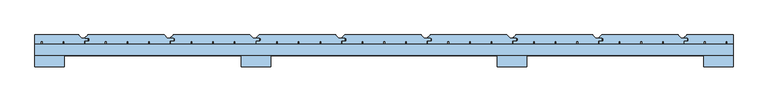
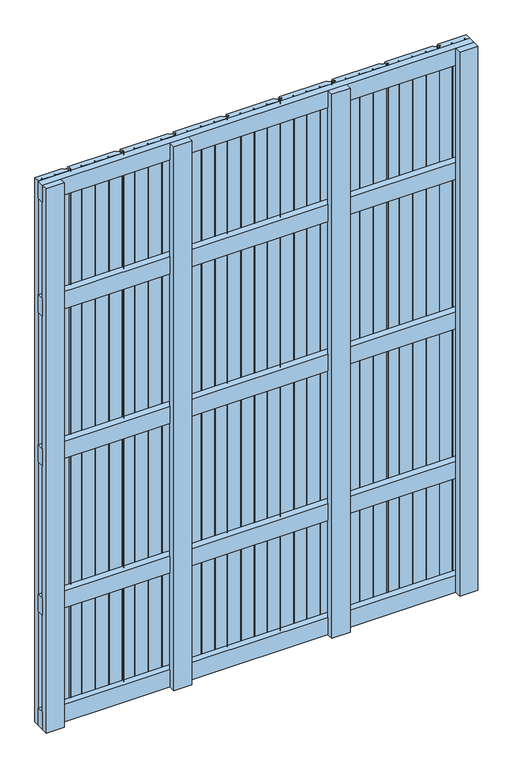
"""IFC4 building model written with IfcOpenShell, lengths in millimetres: window geometry."""

from ifc_helpers import new_model, si_unit, point, frame, frame_2d, origin, place, context, project, spatial, polyline, circle_curve, trimmed, segment, composite_curve, outline, extrude, source, transform, mapped, element, save


def window_8b2cadf0(model_context):
    return source(origin(), model_context, "Body", "SweptSolid", [
        extrude(outline(polyline([(750.0, 148.0), (750.0, 124.0), (-750.0, 124.0), (-750.0, 148.0), (750.0, 148.0)])), frame((0.0, 0.0, 1618.5), z_axis=(0.0, 0.0, 1.0), x_axis=(1.0, 0.0, 0.0)), (0.0, 0.0, 1.0), 63.0),
        extrude(outline(polyline([(750.0, 148.0), (750.0, 124.0), (-750.0, 124.0), (-750.0, 148.0), (750.0, 148.0)])), frame((0.0, 0.0, 1068.5), z_axis=(0.0, 0.0, 1.0), x_axis=(1.0, 0.0, 0.0)), (0.0, 0.0, 1.0), 63.0),
        extrude(outline(polyline([(750.0, 148.0), (750.0, 124.0), (-750.0, 124.0), (-750.0, 148.0), (750.0, 148.0)])), frame((0.0, 0.0, 518.5), z_axis=(0.0, 0.0, 1.0), x_axis=(1.0, 0.0, 0.0)), (0.0, 0.0, 1.0), 63.0),
        extrude(outline(polyline([(750.0, 148.0), (750.0, 124.0), (-750.0, 124.0), (-750.0, 148.0), (750.0, 148.0)])), frame((0.0, 0.0, 2037.0), z_axis=(0.0, 0.0, 1.0), x_axis=(1.0, 0.0, 0.0)), (0.0, 0.0, 1.0), 63.0),
        extrude(outline(polyline([(750.0, 148.0), (750.0, 124.0), (-750.0, 124.0), (-750.0, 148.0), (750.0, 148.0)])), frame((0.0, 0.0, 100.0), z_axis=(0.0, 0.0, 1.0), x_axis=(1.0, 0.0, 0.0)), (0.0, 0.0, 1.0), 63.0),
        extrude(outline(composite_curve([segment(polyline([(-641.0521218, 154.5), (-634.5521218, 154.5)]), True, "CONTINUOUS"), segment(trimmed(circle_curve(frame_2d((-634.5521218, 156.0)), 1.5), [point((-634.5521218, 154.5))], [point((-633.0521218, 156.0))], True, "CARTESIAN"), True, "CONTINUOUS"), segment(polyline([(-633.0521218, 156.0), (-633.0521218, 159.5)]), True, "CONTINUOUS"), segment(trimmed(circle_curve(frame_2d((-634.5521218, 159.5)), 1.5), [point((-633.0521218, 159.5))], [point((-634.5521218, 161.0))], True, "CARTESIAN"), True, "CONTINUOUS"), segment(polyline([(-634.5521218, 161.0), (-641.0521218, 161.0)]), True, "CONTINUOUS"), segment(trimmed(circle_curve(frame_2d((-641.0521218, 162.0)), 1.0), [point((-641.0521218, 161.0))], [point((-641.7592286, 162.7071068))], False, "CARTESIAN"), True, "CONTINUOUS"), segment(polyline([(-641.7592286, 162.7071068), (-636.9056752, 167.5606602)]), True, "CONTINUOUS"), segment(trimmed(circle_curve(frame_2d((-635.845015, 166.5)), 1.5), [point((-636.9056752, 167.5606602))], [point((-635.845015, 168.0))], False, "CARTESIAN"), True, "CONTINUOUS"), segment(polyline([(-635.845015, 168.0), (-472.6213203, 168.0)]), True, "CONTINUOUS"), segment(trimmed(circle_curve(frame_2d((-472.6213203, 166.5)), 1.5), [point((-472.6213203, 168.0))], [point((-471.5606602, 167.5606602))], False, "CARTESIAN"), True, "CONTINUOUS"), segment(polyline([(-471.5606602, 167.5606602), (-465.2928932, 161.2928932)]), True, "CONTINUOUS"), segment(trimmed(circle_curve(frame_2d((-464.5857864, 162.0)), 1.0), [point((-465.2928932, 161.2928932))], [point((-464.5857864, 161.0))], True, "CARTESIAN"), True, "CONTINUOUS"), segment(polyline([(-464.5857864, 161.0), (-453.5, 161.0)]), True, "CONTINUOUS"), segment(trimmed(circle_curve(frame_2d((-453.5, 159.5)), 1.5), [point((-453.5, 161.0))], [point((-452.0, 159.5))], False, "CARTESIAN"), True, "CONTINUOUS"), segment(polyline([(-452.0, 159.5), (-452.0, 156.5)]), True, "CONTINUOUS"), segment(trimmed(circle_curve(frame_2d((-453.5, 156.5)), 1.5), [point((-452.0, 156.5))], [point((-453.5, 155.0))], False, "CARTESIAN"), True, "CONTINUOUS"), segment(polyline([(-453.5, 155.0), (-460.0, 155.0), (-460.0, 148.5), (-503.0610702, 148.5), (-503.0610702, 154.5), (-506.5610702, 154.5), (-506.5610702, 148.5), (-549.6221403, 148.5), (-549.6221403, 154.5), (-553.1221403, 154.5), (-553.1221403, 148.5), (-596.1832105, 148.5), (-596.1832105, 154.5), (-599.6832105, 154.5), (-599.6832105, 148.5), (-642.0521218, 148.5), (-642.0521218, 153.5)]), True, "CONTINUOUS"), segment(trimmed(circle_curve(frame_2d((-641.0521218, 153.5)), 1.0), [point((-642.0521218, 153.5))], [point((-641.0521218, 154.5))], False, "CARTESIAN"), True, "CONTINUOUS")], self_intersect=False)), frame((0.0, 0.0, 100.0), z_axis=(0.0, 0.0, 1.0), x_axis=(1.0, 0.0, 0.0)), (0.0, 0.0, 1.0), 2000.0),
        extrude(outline(composite_curve([segment(polyline([(-457.0521218, 154.5), (-450.5521218, 154.5)]), True, "CONTINUOUS"), segment(trimmed(circle_curve(frame_2d((-450.5521218, 156.0)), 1.5), [point((-450.5521218, 154.5))], [point((-449.0521218, 156.0))], True, "CARTESIAN"), True, "CONTINUOUS"), segment(polyline([(-449.0521218, 156.0), (-449.0521218, 159.5)]), True, "CONTINUOUS"), segment(trimmed(circle_curve(frame_2d((-450.5521218, 159.5)), 1.5), [point((-449.0521218, 159.5))], [point((-450.5521218, 161.0))], True, "CARTESIAN"), True, "CONTINUOUS"), segment(polyline([(-450.5521218, 161.0), (-457.0521218, 161.0)]), True, "CONTINUOUS"), segment(trimmed(circle_curve(frame_2d((-457.0521218, 162.0)), 1.0), [point((-457.0521218, 161.0))], [point((-457.7592286, 162.7071068))], False, "CARTESIAN"), True, "CONTINUOUS"), segment(polyline([(-457.7592286, 162.7071068), (-452.9056752, 167.5606602)]), True, "CONTINUOUS"), segment(trimmed(circle_curve(frame_2d((-451.845015, 166.5)), 1.5), [point((-452.9056752, 167.5606602))], [point((-451.845015, 168.0))], False, "CARTESIAN"), True, "CONTINUOUS"), segment(polyline([(-451.845015, 168.0), (-288.6213203, 168.0)]), True, "CONTINUOUS"), segment(trimmed(circle_curve(frame_2d((-288.6213203, 166.5)), 1.5), [point((-288.6213203, 168.0))], [point((-287.5606602, 167.5606602))], False, "CARTESIAN"), True, "CONTINUOUS"), segment(polyline([(-287.5606602, 167.5606602), (-281.2928932, 161.2928932)]), True, "CONTINUOUS"), segment(trimmed(circle_curve(frame_2d((-280.5857864, 162.0)), 1.0), [point((-281.2928932, 161.2928932))], [point((-280.5857864, 161.0))], True, "CARTESIAN"), True, "CONTINUOUS"), segment(polyline([(-280.5857864, 161.0), (-269.5, 161.0)]), True, "CONTINUOUS"), segment(trimmed(circle_curve(frame_2d((-269.5, 159.5)), 1.5), [point((-269.5, 161.0))], [point((-268.0, 159.5))], False, "CARTESIAN"), True, "CONTINUOUS"), segment(polyline([(-268.0, 159.5), (-268.0, 156.5)]), True, "CONTINUOUS"), segment(trimmed(circle_curve(frame_2d((-269.5, 156.5)), 1.5), [point((-268.0, 156.5))], [point((-269.5, 155.0))], False, "CARTESIAN"), True, "CONTINUOUS"), segment(polyline([(-269.5, 155.0), (-276.0, 155.0), (-276.0, 148.5), (-319.0610702, 148.5), (-319.0610702, 154.5), (-322.5610702, 154.5), (-322.5610702, 148.5), (-365.6221403, 148.5), (-365.6221403, 154.5), (-369.1221403, 154.5), (-369.1221403, 148.5), (-412.1832105, 148.5), (-412.1832105, 154.5), (-415.6832105, 154.5), (-415.6832105, 148.5), (-458.0521218, 148.5), (-458.0521218, 153.5)]), True, "CONTINUOUS"), segment(trimmed(circle_curve(frame_2d((-457.0521218, 153.5)), 1.0), [point((-458.0521218, 153.5))], [point((-457.0521218, 154.5))], False, "CARTESIAN"), True, "CONTINUOUS")], self_intersect=False)), frame((0.0, 0.0, 100.0), z_axis=(0.0, 0.0, 1.0), x_axis=(1.0, 0.0, 0.0)), (0.0, 0.0, 1.0), 2000.0),
        extrude(outline(composite_curve([segment(polyline([(-273.0521218, 154.5), (-266.5521218, 154.5)]), True, "CONTINUOUS"), segment(trimmed(circle_curve(frame_2d((-266.5521218, 156.0)), 1.5), [point((-266.5521218, 154.5))], [point((-265.0521218, 156.0))], True, "CARTESIAN"), True, "CONTINUOUS"), segment(polyline([(-265.0521218, 156.0), (-265.0521218, 159.5)]), True, "CONTINUOUS"), segment(trimmed(circle_curve(frame_2d((-266.5521218, 159.5)), 1.5), [point((-265.0521218, 159.5))], [point((-266.5521218, 161.0))], True, "CARTESIAN"), True, "CONTINUOUS"), segment(polyline([(-266.5521218, 161.0), (-273.0521218, 161.0)]), True, "CONTINUOUS"), segment(trimmed(circle_curve(frame_2d((-273.0521218, 162.0)), 1.0), [point((-273.0521218, 161.0))], [point((-273.7592286, 162.7071068))], False, "CARTESIAN"), True, "CONTINUOUS"), segment(polyline([(-273.7592286, 162.7071068), (-268.9056752, 167.5606602)]), True, "CONTINUOUS"), segment(trimmed(circle_curve(frame_2d((-267.845015, 166.5)), 1.5), [point((-268.9056752, 167.5606602))], [point((-267.845015, 168.0))], False, "CARTESIAN"), True, "CONTINUOUS"), segment(polyline([(-267.845015, 168.0), (-104.6213203, 168.0)]), True, "CONTINUOUS"), segment(trimmed(circle_curve(frame_2d((-104.6213203, 166.5)), 1.5), [point((-104.6213203, 168.0))], [point((-103.5606602, 167.5606602))], False, "CARTESIAN"), True, "CONTINUOUS"), segment(polyline([(-103.5606602, 167.5606602), (-97.2928932, 161.2928932)]), True, "CONTINUOUS"), segment(trimmed(circle_curve(frame_2d((-96.5857864, 162.0)), 1.0), [point((-97.2928932, 161.2928932))], [point((-96.5857864, 161.0))], True, "CARTESIAN"), True, "CONTINUOUS"), segment(polyline([(-96.5857864, 161.0), (-85.5, 161.0)]), True, "CONTINUOUS"), segment(trimmed(circle_curve(frame_2d((-85.5, 159.5)), 1.5), [point((-85.5, 161.0))], [point((-84.0, 159.5))], False, "CARTESIAN"), True, "CONTINUOUS"), segment(polyline([(-84.0, 159.5), (-84.0, 156.5)]), True, "CONTINUOUS"), segment(trimmed(circle_curve(frame_2d((-85.5, 156.5)), 1.5), [point((-84.0, 156.5))], [point((-85.5, 155.0))], False, "CARTESIAN"), True, "CONTINUOUS"), segment(polyline([(-85.5, 155.0), (-92.0, 155.0), (-92.0, 148.5), (-135.0610702, 148.5), (-135.0610702, 154.5), (-138.5610702, 154.5), (-138.5610702, 148.5), (-181.6221403, 148.5), (-181.6221403, 154.5), (-185.1221403, 154.5), (-185.1221403, 148.5), (-228.1832105, 148.5), (-228.1832105, 154.5), (-231.6832105, 154.5), (-231.6832105, 148.5), (-274.0521218, 148.5), (-274.0521218, 153.5)]), True, "CONTINUOUS"), segment(trimmed(circle_curve(frame_2d((-273.0521218, 153.5)), 1.0), [point((-274.0521218, 153.5))], [point((-273.0521218, 154.5))], False, "CARTESIAN"), True, "CONTINUOUS")], self_intersect=False)), frame((0.0, 0.0, 100.0), z_axis=(0.0, 0.0, 1.0), x_axis=(1.0, 0.0, 0.0)), (0.0, 0.0, 1.0), 2000.0),
        extrude(outline(composite_curve([segment(polyline([(-89.0521218, 154.5), (-82.5521218, 154.5)]), True, "CONTINUOUS"), segment(trimmed(circle_curve(frame_2d((-82.5521218, 156.0)), 1.5), [point((-82.5521218, 154.5))], [point((-81.0521218, 156.0))], True, "CARTESIAN"), True, "CONTINUOUS"), segment(polyline([(-81.0521218, 156.0), (-81.0521218, 159.5)]), True, "CONTINUOUS"), segment(trimmed(circle_curve(frame_2d((-82.5521218, 159.5)), 1.5), [point((-81.0521218, 159.5))], [point((-82.5521218, 161.0))], True, "CARTESIAN"), True, "CONTINUOUS"), segment(polyline([(-82.5521218, 161.0), (-89.0521218, 161.0)]), True, "CONTINUOUS"), segment(trimmed(circle_curve(frame_2d((-89.0521218, 162.0)), 1.0), [point((-89.0521218, 161.0))], [point((-89.7592286, 162.7071068))], False, "CARTESIAN"), True, "CONTINUOUS"), segment(polyline([(-89.7592286, 162.7071068), (-84.9056752, 167.5606602)]), True, "CONTINUOUS"), segment(trimmed(circle_curve(frame_2d((-83.845015, 166.5)), 1.5), [point((-84.9056752, 167.5606602))], [point((-83.845015, 168.0))], False, "CARTESIAN"), True, "CONTINUOUS"), segment(polyline([(-83.845015, 168.0), (79.3786797, 168.0)]), True, "CONTINUOUS"), segment(trimmed(circle_curve(frame_2d((79.3786797, 166.5)), 1.5), [point((79.3786797, 168.0))], [point((80.4393398, 167.5606602))], False, "CARTESIAN"), True, "CONTINUOUS"), segment(polyline([(80.4393398, 167.5606602), (86.7071068, 161.2928932)]), True, "CONTINUOUS"), segment(trimmed(circle_curve(frame_2d((87.4142136, 162.0)), 1.0), [point((86.7071068, 161.2928932))], [point((87.4142136, 161.0))], True, "CARTESIAN"), True, "CONTINUOUS"), segment(polyline([(87.4142136, 161.0), (98.5, 161.0)]), True, "CONTINUOUS"), segment(trimmed(circle_curve(frame_2d((98.5, 159.5)), 1.5), [point((98.5, 161.0))], [point((100.0, 159.5))], False, "CARTESIAN"), True, "CONTINUOUS"), segment(polyline([(100.0, 159.5), (100.0, 156.5)]), True, "CONTINUOUS"), segment(trimmed(circle_curve(frame_2d((98.5, 156.5)), 1.5), [point((100.0, 156.5))], [point((98.5, 155.0))], False, "CARTESIAN"), True, "CONTINUOUS"), segment(polyline([(98.5, 155.0), (92.0, 155.0), (92.0, 148.5), (48.9389298, 148.5), (48.9389298, 154.5), (45.4389298, 154.5), (45.4389298, 148.5), (2.3778597, 148.5), (2.3778597, 154.5), (-1.1221403, 154.5), (-1.1221403, 148.5), (-44.1832105, 148.5), (-44.1832105, 154.5), (-47.6832105, 154.5), (-47.6832105, 148.5), (-90.0521218, 148.5), (-90.0521218, 153.5)]), True, "CONTINUOUS"), segment(trimmed(circle_curve(frame_2d((-89.0521218, 153.5)), 1.0), [point((-90.0521218, 153.5))], [point((-89.0521218, 154.5))], False, "CARTESIAN"), True, "CONTINUOUS")], self_intersect=False)), frame((0.0, 0.0, 100.0), z_axis=(0.0, 0.0, 1.0), x_axis=(1.0, 0.0, 0.0)), (0.0, 0.0, 1.0), 2000.0),
        extrude(outline(composite_curve([segment(polyline([(94.9478782, 154.5), (101.4478782, 154.5)]), True, "CONTINUOUS"), segment(trimmed(circle_curve(frame_2d((101.4478782, 156.0)), 1.5), [point((101.4478782, 154.5))], [point((102.9478782, 156.0))], True, "CARTESIAN"), True, "CONTINUOUS"), segment(polyline([(102.9478782, 156.0), (102.9478782, 159.5)]), True, "CONTINUOUS"), segment(trimmed(circle_curve(frame_2d((101.4478782, 159.5)), 1.5), [point((102.9478782, 159.5))], [point((101.4478782, 161.0))], True, "CARTESIAN"), True, "CONTINUOUS"), segment(polyline([(101.4478782, 161.0), (94.9478782, 161.0)]), True, "CONTINUOUS"), segment(trimmed(circle_curve(frame_2d((94.9478782, 162.0)), 1.0), [point((94.9478782, 161.0))], [point((94.2407714, 162.7071068))], False, "CARTESIAN"), True, "CONTINUOUS"), segment(polyline([(94.2407714, 162.7071068), (99.0943248, 167.5606602)]), True, "CONTINUOUS"), segment(trimmed(circle_curve(frame_2d((100.154985, 166.5)), 1.5), [point((99.0943248, 167.5606602))], [point((100.154985, 168.0))], False, "CARTESIAN"), True, "CONTINUOUS"), segment(polyline([(100.154985, 168.0), (263.3786797, 168.0)]), True, "CONTINUOUS"), segment(trimmed(circle_curve(frame_2d((263.3786797, 166.5)), 1.5), [point((263.3786797, 168.0))], [point((264.4393398, 167.5606602))], False, "CARTESIAN"), True, "CONTINUOUS"), segment(polyline([(264.4393398, 167.5606602), (270.7071068, 161.2928932)]), True, "CONTINUOUS"), segment(trimmed(circle_curve(frame_2d((271.4142136, 162.0)), 1.0), [point((270.7071068, 161.2928932))], [point((271.4142136, 161.0))], True, "CARTESIAN"), True, "CONTINUOUS"), segment(polyline([(271.4142136, 161.0), (282.5, 161.0)]), True, "CONTINUOUS"), segment(trimmed(circle_curve(frame_2d((282.5, 159.5)), 1.5), [point((282.5, 161.0))], [point((284.0, 159.5))], False, "CARTESIAN"), True, "CONTINUOUS"), segment(polyline([(284.0, 159.5), (284.0, 156.5)]), True, "CONTINUOUS"), segment(trimmed(circle_curve(frame_2d((282.5, 156.5)), 1.5), [point((284.0, 156.5))], [point((282.5, 155.0))], False, "CARTESIAN"), True, "CONTINUOUS"), segment(polyline([(282.5, 155.0), (276.0, 155.0), (276.0, 148.5), (232.9389298, 148.5), (232.9389298, 154.5), (229.4389298, 154.5), (229.4389298, 148.5), (186.3778597, 148.5), (186.3778597, 154.5), (182.8778597, 154.5), (182.8778597, 148.5), (139.8167895, 148.5), (139.8167895, 154.5), (136.3167895, 154.5), (136.3167895, 148.5), (93.9478782, 148.5), (93.9478782, 153.5)]), True, "CONTINUOUS"), segment(trimmed(circle_curve(frame_2d((94.9478782, 153.5)), 1.0), [point((93.9478782, 153.5))], [point((94.9478782, 154.5))], False, "CARTESIAN"), True, "CONTINUOUS")], self_intersect=False)), frame((0.0, 0.0, 100.0), z_axis=(0.0, 0.0, 1.0), x_axis=(1.0, 0.0, 0.0)), (0.0, 0.0, 1.0), 2000.0),
        extrude(outline(composite_curve([segment(polyline([(278.9478782, 154.5), (285.4478782, 154.5)]), True, "CONTINUOUS"), segment(trimmed(circle_curve(frame_2d((285.4478782, 156.0)), 1.5), [point((285.4478782, 154.5))], [point((286.9478782, 156.0))], True, "CARTESIAN"), True, "CONTINUOUS"), segment(polyline([(286.9478782, 156.0), (286.9478782, 159.5)]), True, "CONTINUOUS"), segment(trimmed(circle_curve(frame_2d((285.4478782, 159.5)), 1.5), [point((286.9478782, 159.5))], [point((285.4478782, 161.0))], True, "CARTESIAN"), True, "CONTINUOUS"), segment(polyline([(285.4478782, 161.0), (278.9478782, 161.0)]), True, "CONTINUOUS"), segment(trimmed(circle_curve(frame_2d((278.9478782, 162.0)), 1.0), [point((278.9478782, 161.0))], [point((278.2407714, 162.7071068))], False, "CARTESIAN"), True, "CONTINUOUS"), segment(polyline([(278.2407714, 162.7071068), (283.0943248, 167.5606602)]), True, "CONTINUOUS"), segment(trimmed(circle_curve(frame_2d((284.154985, 166.5)), 1.5), [point((283.0943248, 167.5606602))], [point((284.154985, 168.0))], False, "CARTESIAN"), True, "CONTINUOUS"), segment(polyline([(284.154985, 168.0), (447.3786797, 168.0)]), True, "CONTINUOUS"), segment(trimmed(circle_curve(frame_2d((447.3786797, 166.5)), 1.5), [point((447.3786797, 168.0))], [point((448.4393398, 167.5606602))], False, "CARTESIAN"), True, "CONTINUOUS"), segment(polyline([(448.4393398, 167.5606602), (454.7071068, 161.2928932)]), True, "CONTINUOUS"), segment(trimmed(circle_curve(frame_2d((455.4142136, 162.0)), 1.0), [point((454.7071068, 161.2928932))], [point((455.4142136, 161.0))], True, "CARTESIAN"), True, "CONTINUOUS"), segment(polyline([(455.4142136, 161.0), (466.5, 161.0)]), True, "CONTINUOUS"), segment(trimmed(circle_curve(frame_2d((466.5, 159.5)), 1.5), [point((466.5, 161.0))], [point((468.0, 159.5))], False, "CARTESIAN"), True, "CONTINUOUS"), segment(polyline([(468.0, 159.5), (468.0, 156.5)]), True, "CONTINUOUS"), segment(trimmed(circle_curve(frame_2d((466.5, 156.5)), 1.5), [point((468.0, 156.5))], [point((466.5, 155.0))], False, "CARTESIAN"), True, "CONTINUOUS"), segment(polyline([(466.5, 155.0), (460.0, 155.0), (460.0, 148.5), (416.9389298, 148.5), (416.9389298, 154.5), (413.4389298, 154.5), (413.4389298, 148.5), (370.3778597, 148.5), (370.3778597, 154.5), (366.8778597, 154.5), (366.8778597, 148.5), (323.8167895, 148.5), (323.8167895, 154.5), (320.3167895, 154.5), (320.3167895, 148.5), (277.9478782, 148.5), (277.9478782, 153.5)]), True, "CONTINUOUS"), segment(trimmed(circle_curve(frame_2d((278.9478782, 153.5)), 1.0), [point((277.9478782, 153.5))], [point((278.9478782, 154.5))], False, "CARTESIAN"), True, "CONTINUOUS")], self_intersect=False)), frame((0.0, 0.0, 100.0), z_axis=(0.0, 0.0, 1.0), x_axis=(1.0, 0.0, 0.0)), (0.0, 0.0, 1.0), 2000.0),
        extrude(outline(composite_curve([segment(polyline([(462.9478782, 154.5), (469.4478782, 154.5)]), True, "CONTINUOUS"), segment(trimmed(circle_curve(frame_2d((469.4478782, 156.0)), 1.5), [point((469.4478782, 154.5))], [point((470.9478782, 156.0))], True, "CARTESIAN"), True, "CONTINUOUS"), segment(polyline([(470.9478782, 156.0), (470.9478782, 159.5)]), True, "CONTINUOUS"), segment(trimmed(circle_curve(frame_2d((469.4478782, 159.5)), 1.5), [point((470.9478782, 159.5))], [point((469.4478782, 161.0))], True, "CARTESIAN"), True, "CONTINUOUS"), segment(polyline([(469.4478782, 161.0), (462.9478782, 161.0)]), True, "CONTINUOUS"), segment(trimmed(circle_curve(frame_2d((462.9478782, 162.0)), 1.0), [point((462.9478782, 161.0))], [point((462.2407714, 162.7071068))], False, "CARTESIAN"), True, "CONTINUOUS"), segment(polyline([(462.2407714, 162.7071068), (467.0943248, 167.5606602)]), True, "CONTINUOUS"), segment(trimmed(circle_curve(frame_2d((468.154985, 166.5)), 1.5), [point((467.0943248, 167.5606602))], [point((468.154985, 168.0))], False, "CARTESIAN"), True, "CONTINUOUS"), segment(polyline([(468.154985, 168.0), (631.3786797, 168.0)]), True, "CONTINUOUS"), segment(trimmed(circle_curve(frame_2d((631.3786797, 166.5)), 1.5), [point((631.3786797, 168.0))], [point((632.4393398, 167.5606602))], False, "CARTESIAN"), True, "CONTINUOUS"), segment(polyline([(632.4393398, 167.5606602), (638.7071068, 161.2928932)]), True, "CONTINUOUS"), segment(trimmed(circle_curve(frame_2d((639.4142136, 162.0)), 1.0), [point((638.7071068, 161.2928932))], [point((639.4142136, 161.0))], True, "CARTESIAN"), True, "CONTINUOUS"), segment(polyline([(639.4142136, 161.0), (650.5, 161.0)]), True, "CONTINUOUS"), segment(trimmed(circle_curve(frame_2d((650.5, 159.5)), 1.5), [point((650.5, 161.0))], [point((652.0, 159.5))], False, "CARTESIAN"), True, "CONTINUOUS"), segment(polyline([(652.0, 159.5), (652.0, 156.5)]), True, "CONTINUOUS"), segment(trimmed(circle_curve(frame_2d((650.5, 156.5)), 1.5), [point((652.0, 156.5))], [point((650.5, 155.0))], False, "CARTESIAN"), True, "CONTINUOUS"), segment(polyline([(650.5, 155.0), (644.0, 155.0), (644.0, 148.5), (600.9389298, 148.5), (600.9389298, 154.5), (597.4389298, 154.5), (597.4389298, 148.5), (554.3778597, 148.5), (554.3778597, 154.5), (550.8778597, 154.5), (550.8778597, 148.5), (507.8167895, 148.5), (507.8167895, 154.5), (504.3167895, 154.5), (504.3167895, 148.5), (461.9478782, 148.5), (461.9478782, 153.5)]), True, "CONTINUOUS"), segment(trimmed(circle_curve(frame_2d((462.9478782, 153.5)), 1.0), [point((461.9478782, 153.5))], [point((462.9478782, 154.5))], False, "CARTESIAN"), True, "CONTINUOUS")], self_intersect=False)), frame((0.0, 0.0, 100.0), z_axis=(0.0, 0.0, 1.0), x_axis=(1.0, 0.0, 0.0)), (0.0, 0.0, 1.0), 2000.0),
        extrude(outline(composite_curve([segment(polyline([(-655.5606602, 167.5606602), (-649.2928932, 161.2928932)]), True, "CONTINUOUS"), segment(trimmed(circle_curve(frame_2d((-648.5857864, 162.0)), 1.0), [point((-649.2928932, 161.2928932))], [point((-648.5857864, 161.0))], True, "CARTESIAN"), True, "CONTINUOUS"), segment(polyline([(-648.5857864, 161.0), (-637.5, 161.0)]), True, "CONTINUOUS"), segment(trimmed(circle_curve(frame_2d((-637.5, 159.5)), 1.5), [point((-637.5, 161.0))], [point((-636.0, 159.5))], False, "CARTESIAN"), True, "CONTINUOUS"), segment(polyline([(-636.0, 159.5), (-636.0, 156.5)]), True, "CONTINUOUS"), segment(trimmed(circle_curve(frame_2d((-637.5, 156.5)), 1.5), [point((-636.0, 156.5))], [point((-637.5, 155.0))], False, "CARTESIAN"), True, "CONTINUOUS"), segment(polyline([(-637.5, 155.0), (-644.0, 155.0), (-644.0, 148.5), (-687.0610702, 148.5), (-687.0610702, 154.5), (-690.5610702, 154.5), (-690.5610702, 148.5), (-733.6221403, 148.5), (-733.6221403, 154.5), (-737.1221403, 154.5), (-737.1221403, 148.5), (-750.0, 148.5), (-750.0, 168.0), (-656.6213203, 168.0)]), True, "CONTINUOUS"), segment(trimmed(circle_curve(frame_2d((-656.6213203, 166.5)), 1.5), [point((-656.6213203, 168.0))], [point((-655.5606602, 167.5606602))], False, "CARTESIAN"), True, "CONTINUOUS")], self_intersect=False)), frame((0.0, 0.0, 100.0), z_axis=(0.0, 0.0, 1.0), x_axis=(1.0, 0.0, 0.0)), (0.0, 0.0, 1.0), 2000.0),
        extrude(outline(composite_curve([segment(polyline([(646.0, 154.5), (652.5, 154.5)]), True, "CONTINUOUS"), segment(trimmed(circle_curve(frame_2d((652.5, 156.0)), 1.5), [point((652.5, 154.5))], [point((654.0, 156.0))], True, "CARTESIAN"), True, "CONTINUOUS"), segment(polyline([(654.0, 156.0), (654.0, 159.5)]), True, "CONTINUOUS"), segment(trimmed(circle_curve(frame_2d((652.5, 159.5)), 1.5), [point((654.0, 159.5))], [point((652.5, 161.0))], True, "CARTESIAN"), True, "CONTINUOUS"), segment(polyline([(652.5, 161.0), (646.0, 161.0)]), True, "CONTINUOUS"), segment(trimmed(circle_curve(frame_2d((646.0, 162.0)), 1.0), [point((646.0, 161.0))], [point((645.2928932, 162.7071068))], False, "CARTESIAN"), True, "CONTINUOUS"), segment(polyline([(645.2928932, 162.7071068), (650.1464466, 167.5606602)]), True, "CONTINUOUS"), segment(trimmed(circle_curve(frame_2d((651.2071068, 166.5)), 1.5), [point((650.1464466, 167.5606602))], [point((651.2071068, 168.0))], False, "CARTESIAN"), True, "CONTINUOUS"), segment(polyline([(651.2071068, 168.0), (750.0, 168.0), (750.0, 148.5), (737.4299815, 148.5), (737.4299815, 154.5), (733.9299815, 154.5), (733.9299815, 148.5), (690.8689113, 148.5), (690.8689113, 154.5), (687.3689113, 154.5), (687.3689113, 148.5), (645.0, 148.5), (645.0, 153.5)]), True, "CONTINUOUS"), segment(trimmed(circle_curve(frame_2d((646.0, 153.5)), 1.0), [point((645.0, 153.5))], [point((646.0, 154.5))], False, "CARTESIAN"), True, "CONTINUOUS")], self_intersect=False)), frame((0.0, 0.0, 100.0), z_axis=(0.0, 0.0, 1.0), x_axis=(1.0, 0.0, 0.0)), (0.0, 0.0, 1.0), 2000.0),
        extrude(outline(polyline([(-306.5, 124.0), (-243.5, 124.0), (-243.5, 100.0), (-306.5, 100.0), (-306.5, 124.0)])), frame((0.0, 0.0, 100.0), z_axis=(0.0, 0.0, 1.0), x_axis=(1.0, 0.0, 0.0)), (0.0, 0.0, 1.0), 2000.0),
        extrude(outline(polyline([(243.5, 124.0), (306.5, 124.0), (306.5, 100.0), (243.5, 100.0), (243.5, 124.0)])), frame((0.0, 0.0, 100.0), z_axis=(0.0, 0.0, 1.0), x_axis=(1.0, 0.0, 0.0)), (0.0, 0.0, 1.0), 2000.0),
        extrude(outline(polyline([(-750.0, 124.0), (-687.0, 124.0), (-687.0, 100.0), (-750.0, 100.0), (-750.0, 124.0)])), frame((0.0, 0.0, 100.0), z_axis=(0.0, 0.0, 1.0), x_axis=(1.0, 0.0, 0.0)), (0.0, 0.0, 1.0), 2000.0),
        extrude(outline(polyline([(687.0, 124.0), (750.0, 124.0), (750.0, 100.0), (687.0, 100.0), (687.0, 124.0)])), frame((0.0, 0.0, 100.0), z_axis=(0.0, 0.0, 1.0), x_axis=(1.0, 0.0, 0.0)), (0.0, 0.0, 1.0), 2000.0),
    ])


if __name__ == "__main__":
    model = new_model("IFC4")
    model_context = context("Model", 3, world=origin())
    ifc_project = project(units=[si_unit("LENGTHUNIT", "METRE", prefix="MILLI")], contexts=[model_context])
    site = spatial("IfcSite", under=ifc_project)
    building = spatial("IfcBuilding", under=site)
    placement = place(None, origin())
    window_shape = window_8b2cadf0(model_context)
    element("IfcWindow", 1, at=placement, inside=building, context=model_context, shape_type="MappedRepresentation", body=[
        mapped(window_shape, transform((0.0, 0.0, 0.0), x_axis=(1.0, 0.0, 0.0), y_axis=(0.0, 1.0, 0.0), z_axis=(0.0, 0.0, 1.0))),
    ])
    save(model, "model.ifc")
